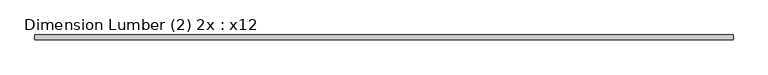
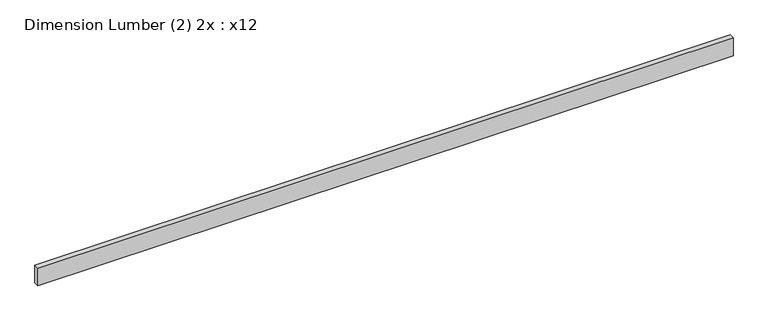
"""IFC4 building model written with IfcOpenShell, lengths in millimetres: beam geometry, Dimension Lumber (2) 2x : x12."""

from ifc_helpers import new_model, si_unit, frame, origin, place, context, project, spatial, polyline, outline, extrude, source, transform, mapped, element, save


def dimension_lumber_2_2x_x12_a39ad0c4(model_context):
    return source(origin(), model_context, "Body", "SweptSolid", [
        extrude(outline(polyline([(5286.1845, 38.1), (5286.1845, -38.1), (-5286.1845, -38.1), (-5286.1845, 38.1), (5286.1845, 38.1)])), frame((0.0, 0.0, -142.875), z_axis=(0.0, 0.0, 1.0), x_axis=(1.0, 0.0, 0.0)), (0.0, 0.0, 1.0), 285.75),
    ])


if __name__ == "__main__":
    model = new_model("IFC4")
    model_context = context("Model", 3, world=origin())
    ifc_project = project(units=[si_unit("LENGTHUNIT", "METRE", prefix="MILLI")], contexts=[model_context])
    site = spatial("IfcSite", under=ifc_project)
    building = spatial("IfcBuilding", under=site)
    placement = place(None, origin())
    dimension_lumber_2_2x_x12_shape = dimension_lumber_2_2x_x12_a39ad0c4(model_context)
    element("IfcBeam", 1, ObjectType="Dimension Lumber (2) 2x : x12", at=placement, inside=building, context=model_context, shape_type="MappedRepresentation", body=[
        mapped(dimension_lumber_2_2x_x12_shape, transform((0.0, 0.0, 0.0), x_axis=(1.0, 0.0, 0.0), y_axis=(0.0, 1.0, 0.0), z_axis=(0.0, 0.0, 1.0))),
    ])
    save(model, "model.ifc")
